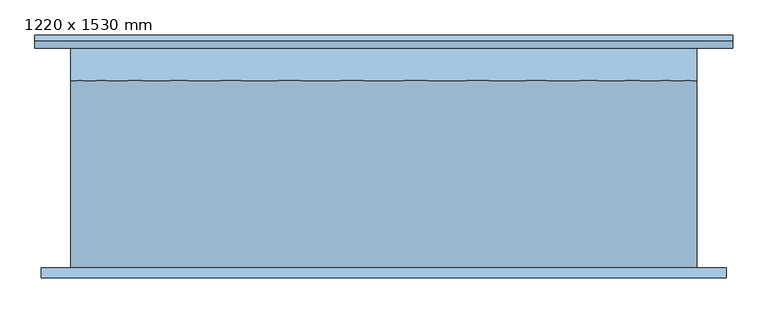
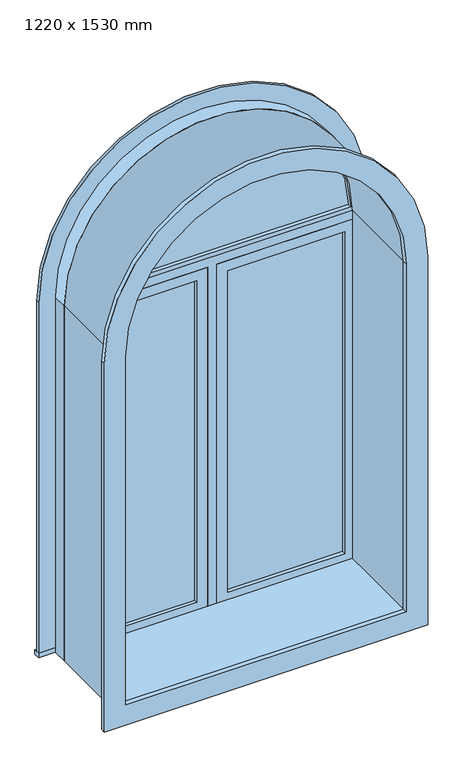
"""IFC4 building model written with IfcOpenShell, lengths in millimetres: window geometry, 1220 x 1530 mm."""

from ifc_helpers import new_model, si_unit, point, frame, frame_2d, origin, place, context, project, spatial, polyline, circle_curve, trimmed, segment, composite_curve, outline, extrude, source, transform, mapped, element, save


def window_1220_x_1530_mm_f55e71a2(model_context):
    return source(origin(), model_context, "Body", "SweptSolid", [
        extrude(outline(composite_curve([segment(polyline([(1854.05, -659.2478419), (247.75, -659.2478419), (247.75, 675.2521581), (1854.05, 675.2521581)]), True, "CONTINUOUS"), segment(trimmed(circle_curve(frame_2d((1854.05, 8.0021581)), 667.25), [point((1854.05, 675.2521581))], [point((1854.05, -659.2478419))], False, "CARTESIAN"), True, "CONTINUOUS")], self_intersect=False), holes=[composite_curve([segment(trimmed(circle_curve(frame_2d((1854.05, 8.0021581)), 578.25), [point((1854.05, -570.2478419))], [point((1854.05, 586.2521581))], True, "CARTESIAN"), True, "CONTINUOUS"), segment(polyline([(1854.05, 586.2521581), (336.75, 586.2521581), (336.75, -570.2478419), (1854.05, -570.2478419)]), True, "CONTINUOUS")], self_intersect=False)]), frame((0.0, -233.5, 0.0), z_axis=(0.0, 1.0, 0.0), x_axis=(0.0, 0.0, 1.0)), (0.0, 0.0, 1.0), 19.0),
        extrude(outline(composite_curve([segment(trimmed(circle_curve(frame_2d((1854.05, 8.0021581)), 571.8997779), [point((1873.0999995, 579.5845699))], [point((1873.0999995, -563.5802537))], False, "CARTESIAN"), True, "CONTINUOUS"), segment(polyline([(1873.0999995, -563.5802537), (1873.0999995, 579.5845699)]), True, "CONTINUOUS")], self_intersect=False)), frame((0.0, 166.925, 0.0), z_axis=(0.0, 1.0, 0.0), x_axis=(0.0, 0.0, 1.0)), (0.0, 0.0, 1.0), 12.7),
        extrude(outline(composite_curve([segment(trimmed(circle_curve(frame_2d((1854.05, 8.0021581)), 590.95), [point((1854.05, 598.9521581))], [point((1854.05, -582.9478419))], False, "CARTESIAN"), True, "CONTINUOUS"), segment(polyline([(1854.05, -582.9478419), (1854.05, 598.9521581)]), True, "CONTINUOUS")], self_intersect=False), holes=[composite_curve([segment(polyline([(1873.0999995, 579.5845698), (1873.0999995, -563.5802537)]), True, "CONTINUOUS"), segment(trimmed(circle_curve(frame_2d((1854.05, 8.0021581)), 571.8997779), [point((1873.0999995, -563.5802537))], [point((1873.0999995, 579.5845698))], True, "CARTESIAN"), True, "CONTINUOUS")], self_intersect=False)]), frame((0.0, 151.05, 0.0), z_axis=(0.0, 1.0, 0.0), x_axis=(0.0, 0.0, 1.0)), (0.0, 0.0, 1.0), 44.45),
        extrude(outline(composite_curve([segment(polyline([(305.0, -601.9978419), (305.0, 618.0021581), (1854.05, 618.0021581)]), True, "CONTINUOUS"), segment(trimmed(circle_curve(frame_2d((1854.05, 8.0021581)), 610.0), [point((1854.05, 618.0021581))], [point((1854.05, -601.9978419))], False, "CARTESIAN"), True, "CONTINUOUS"), segment(polyline([(1854.05, -601.9978419), (305.0, -601.9978419)]), True, "CONTINUOUS")], self_intersect=False), holes=[composite_curve([segment(polyline([(324.05, -582.9478419), (1854.05, -582.9478419)]), True, "CONTINUOUS"), segment(trimmed(circle_curve(frame_2d((1854.05, 8.0021581)), 590.95), [point((1854.05, -582.9478419))], [point((1854.05, 598.9521581))], True, "CARTESIAN"), True, "CONTINUOUS"), segment(polyline([(1854.05, 598.9521581), (324.05, 598.9521581), (324.05, -582.9478419)]), True, "CONTINUOUS")], self_intersect=False)]), frame((0.0, 151.05, 0.0), z_axis=(0.0, 1.0, 0.0), x_axis=(0.0, 0.0, 1.0)), (0.0, 0.0, 1.0), 63.45),
        extrude(outline(polyline([(71.5021581, 179.625), (554.5021581, 179.625), (554.5021581, 166.925), (71.5021581, 166.925), (71.5021581, 179.625)])), frame((0.0, 0.0, 368.5), z_axis=(0.0, 0.0, 1.0), x_axis=(1.0, 0.0, 0.0)), (0.0, 0.0, 1.0), 1403.0),
        extrude(outline(polyline([(1815.95, 27.0521581), (324.05, 27.0521581), (324.05, 598.9521581), (1815.95, 598.9521581), (1815.95, 27.0521581)]), holes=[polyline([(1771.5, 71.5021581), (1771.5, 554.5021581), (368.5, 554.5021581), (368.5, 71.5021581), (1771.5, 71.5021581)])]), frame((0.0, 151.05, 0.0), z_axis=(0.0, 1.0, 0.0), x_axis=(0.0, 0.0, 1.0)), (0.0, 0.0, 1.0), 44.45),
        extrude(outline(polyline([(324.05, -11.0478419), (324.05, 27.0521581), (1815.95, 27.0521581), (1815.95, 598.9521581), (1854.05, 598.9521581), (1854.05, -582.9478419), (1815.95, -582.9478419), (1815.95, -11.0478419), (324.05, -11.0478419)])), frame((0.0, 151.05, 0.0), z_axis=(0.0, 1.0, 0.0), x_axis=(0.0, 0.0, 1.0)), (0.0, 0.0, 1.0), 63.5),
        extrude(outline(polyline([(-671.9478419, 240.2), (687.9521581, 240.2), (687.9521581, 214.5), (-671.9478419, 214.5), (-671.9478419, 240.2)])), frame((0.0, 0.0, 305.0), z_axis=(0.0, 0.0, 1.0), x_axis=(1.0, 0.0, 0.0)), (0.0, 0.0, 1.0), 19.05),
        extrude(outline(composite_curve([segment(polyline([(324.05, 598.9521581), (324.05, 687.9521581), (1854.05, 687.9521581)]), True, "CONTINUOUS"), segment(trimmed(circle_curve(frame_2d((1854.05, 8.0021581)), 679.95), [point((1854.05, 687.9521581))], [point((1854.05, -671.9478419))], False, "CARTESIAN"), True, "CONTINUOUS"), segment(polyline([(1854.05, -671.9478419), (324.05, -671.9478419), (324.05, -582.9478419), (1854.05, -582.9478419)]), True, "CONTINUOUS"), segment(trimmed(circle_curve(frame_2d((1854.05, 8.0021581)), 590.95), [point((1854.05, -582.9478419))], [point((1854.05, 598.9521581))], True, "CARTESIAN"), True, "CONTINUOUS"), segment(polyline([(1854.05, 598.9521581), (324.05, 598.9521581)]), True, "CONTINUOUS")], self_intersect=False)), frame((0.0, 214.5, 0.0), z_axis=(0.0, 1.0, 0.0), x_axis=(0.0, 0.0, 1.0)), (0.0, 0.0, 1.0), 13.0),
        extrude(outline(polyline([(-55.4978419, 166.925), (-538.4978419, 166.925), (-538.4978419, 179.625), (-55.4978419, 179.625), (-55.4978419, 166.925)])), frame((0.0, 0.0, 368.5), z_axis=(0.0, 0.0, 1.0), x_axis=(1.0, 0.0, 0.0)), (0.0, 0.0, 1.0), 1403.0),
        extrude(outline(polyline([(1815.95, -582.9478419), (324.05, -582.9478419), (324.05, -11.0478419), (1815.95, -11.0478419), (1815.95, -582.9478419)]), holes=[polyline([(1771.5, -538.4978419), (1771.5, -55.4978419), (368.5, -55.4978419), (368.5, -538.4978419), (1771.5, -538.4978419)])]), frame((0.0, 151.05, 0.0), z_axis=(0.0, 1.0, 0.0), x_axis=(0.0, 0.0, 1.0)), (0.0, 0.0, 1.0), 44.45),
        extrude(outline(composite_curve([segment(polyline([(305.0, 618.0021581), (1854.05, 618.0021581)]), True, "CONTINUOUS"), segment(trimmed(circle_curve(frame_2d((1854.05, 8.0021581)), 610.0), [point((1854.05, 618.0021581))], [point((1854.05, -601.9978419))], False, "CARTESIAN"), True, "CONTINUOUS"), segment(polyline([(1854.05, -601.9978419), (305.0, -601.9978419), (305.0, 618.0021581)]), True, "CONTINUOUS")], self_intersect=False), holes=[composite_curve([segment(polyline([(336.75, 586.2521581), (336.75, -570.2478419), (1854.05, -570.2478419)]), True, "CONTINUOUS"), segment(trimmed(circle_curve(frame_2d((1854.05, 8.0021581)), 578.25), [point((1854.05, -570.2478419))], [point((1854.05, 586.2521581))], True, "CARTESIAN"), True, "CONTINUOUS"), segment(polyline([(1854.05, 586.2521581), (336.75, 586.2521581)]), True, "CONTINUOUS")], self_intersect=False)]), frame((0.0, -214.5, 0.0), z_axis=(0.0, 1.0, 0.0), x_axis=(0.0, 0.0, 1.0)), (0.0, 0.0, 1.0), 365.55),
    ])


if __name__ == "__main__":
    model = new_model("IFC4")
    model_context = context("Model", 3, world=origin())
    ifc_project = project(units=[si_unit("LENGTHUNIT", "METRE", prefix="MILLI")], contexts=[model_context])
    site = spatial("IfcSite", under=ifc_project)
    building = spatial("IfcBuilding", under=site)
    placement = place(None, origin())
    window_1220_x_1530_mm_shape = window_1220_x_1530_mm_f55e71a2(model_context)
    element("IfcWindow", 1, ObjectType="1220 x 1530 mm", at=placement, inside=building, context=model_context, shape_type="MappedRepresentation", body=[
        mapped(window_1220_x_1530_mm_shape, transform((0.0, 0.0, 0.0), x_axis=(1.0, 0.0, 0.0), y_axis=(0.0, 1.0, 0.0), z_axis=(0.0, 0.0, 1.0))),
    ])
    save(model, "model.ifc")
